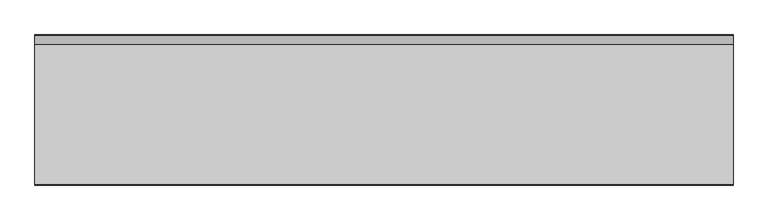
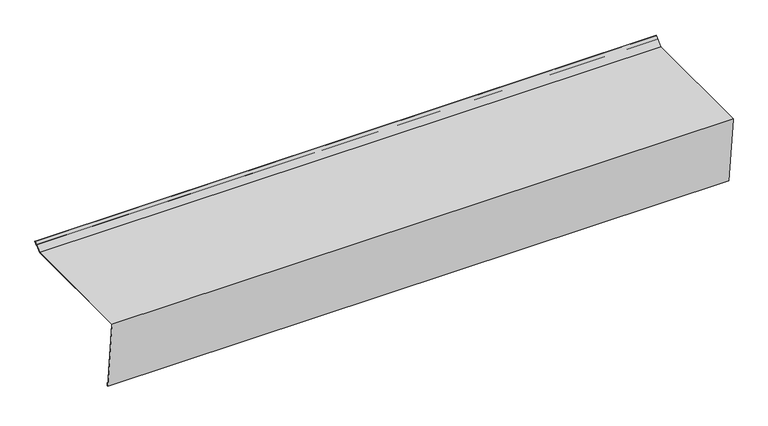
"""IFC4 building model written with IfcOpenShell, lengths in millimetres: proxy geometry."""

from ifc_helpers import new_model, si_unit, origin, place, context, project, spatial, faceted_brep, source, transform, mapped, element, save


def generic_models_aeb7a8f6(model_context):
    return source(origin(), model_context, "Body", "Brep", [
        faceted_brep([(1760.0, -3.7067204, 0.0), (1760.0, -3.9169289, 2.0), (1760.0, 350.4142136, 2.0), (1760.0, 371.2132034, 22.7989899), (1760.0, 371.9203102, 22.0918831), (1760.0, 365.5563492, 15.7279221), (1760.0, 366.263456, 15.0208153), (1760.0, 373.3345238, 22.0918831), (1760.0, 371.2132034, 24.2132034), (1760.0, 350.0, 3.0), (1760.0, -5.0275414, 3.0), (1760.0, -4.7122287, 0.0), (1760.0, 15.8781513, -195.9043791), (1760.0, 18.8617169, -195.5907937), (1760.0, 17.8164323, -185.6455747), (1760.0, 16.8219104, -185.7501032), (1760.0, 17.7626666, -194.7008003), (1760.0, 16.7681447, -194.8053287), (0.0, -4.7122287, 0.0), (0.0, -5.0275414, 3.0), (0.0, 350.0, 3.0), (0.0, 371.2132034, 24.2132034), (0.0, 373.3345238, 22.0918831), (0.0, 366.263456, 15.0208153), (0.0, 365.5563492, 15.7279221), (0.0, 371.9203102, 22.0918831), (0.0, 371.2132034, 22.7989899), (0.0, 350.4142136, 2.0), (0.0, -3.9169289, 2.0), (0.0, -3.7067204, 0.0), (0.0, 16.7681447, -194.8053287), (0.0, 17.7626666, -194.7008003), (0.0, 16.8219104, -185.7501032), (0.0, 17.8164323, -185.6455747), (0.0, 18.8617169, -195.5907937), (0.0, 15.8781513, -195.9043791)], [[[0, 1, 2, 3, 4, 5, 6, 7, 8, 9, 10, 11]], [[11, 12, 13, 14, 15, 16, 17, 0]], [[18, 19, 20, 21, 22, 23, 24, 25, 26, 27, 28, 29]], [[29, 30, 31, 32, 33, 34, 35, 18]], [[8, 21, 20, 9]], [[9, 20, 19, 10]], [[10, 19, 18, 35, 12, 11]], [[12, 35, 34, 13]], [[13, 34, 33, 14]], [[14, 33, 32, 15]], [[15, 32, 31, 16]], [[16, 31, 30, 17]], [[0, 17, 30, 29, 28, 1]], [[1, 28, 27, 2]], [[2, 27, 26, 3]], [[3, 26, 25, 4]], [[4, 25, 24, 5]], [[5, 24, 23, 6]], [[6, 23, 22, 7]], [[7, 22, 21, 8]]]),
    ])


if __name__ == "__main__":
    model = new_model("IFC4")
    model_context = context("Model", 3, world=origin())
    ifc_project = project(units=[si_unit("LENGTHUNIT", "METRE", prefix="MILLI")], contexts=[model_context])
    site = spatial("IfcSite", under=ifc_project)
    building = spatial("IfcBuilding", under=site)
    placement = place(None, origin())
    generic_models_shape = generic_models_aeb7a8f6(model_context)
    element("IfcBuildingElementProxy", 1, Name="Generic Models", at=placement, inside=building, context=model_context, shape_type="MappedRepresentation", body=[
        mapped(generic_models_shape, transform((0.0, 0.0, 0.0), x_axis=(1.0, 0.0, 0.0), y_axis=(0.0, 1.0, 0.0), z_axis=(0.0, 0.0, 1.0))),
    ])
    save(model, "model.ifc")
